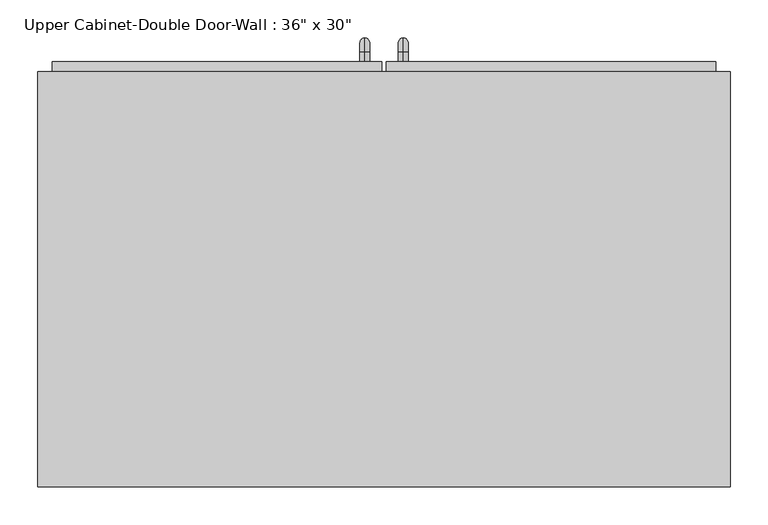
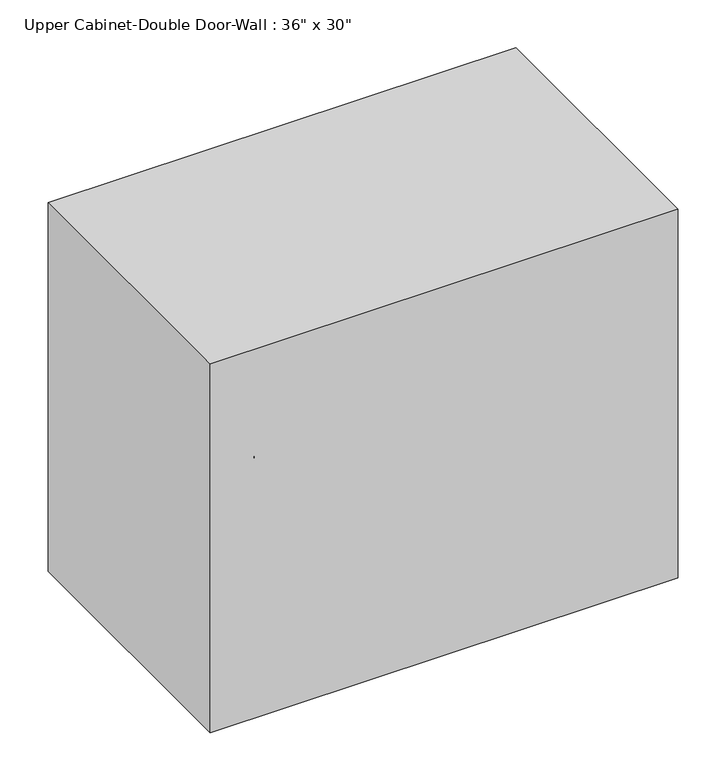
"""IFC4 building model written with IfcOpenShell, lengths in millimetres: furniture geometry."""

from ifc_helpers import new_model, si_unit, point, frame, origin, place, context, project, spatial, polyline, circle_curve, ellipse_curve, trimmed, outline, extrude, faceted_brep, source, transform, mapped, element, save
from ifc_brep_helpers import plane_surface, cylinder_surface, revolved_surface, advanced_brep


def furniture_3bb70dbc(model_context):
    return source(origin(), model_context, "Body", "SolidModel", [
        faceted_brep([(-427.4288372, 123.825, 2133.6), (-427.4288372, 123.825, 1371.6), (486.9711628, 123.825, 1371.6), (486.9711628, 123.825, 2133.6), (-427.4288372, 673.1, 2133.6), (486.9711628, 673.1, 2133.6), (486.9711628, 673.1, 1371.6), (-427.4288372, 673.1, 1371.6), (-408.3788372, 673.1, 2114.55), (-408.3788372, 673.1, 1390.65), (467.9211628, 673.1, 1390.65), (467.9211628, 673.1, 2114.55), (467.9211628, 142.875, 2114.55), (-408.3788372, 142.875, 2114.55), (467.9211628, 142.875, 1390.65), (-408.3788372, 142.875, 1390.65)], [[[0, 1, 2, 3]], [[4, 5, 6, 7], [8, 9, 10, 11]], [[1, 0, 4, 7]], [[2, 1, 7, 6]], [[3, 2, 6, 5]], [[0, 3, 5, 4]], [[8, 11, 12, 13]], [[11, 10, 14, 12]], [[10, 9, 15, 14]], [[9, 8, 13, 15]], [[13, 12, 14, 15]]]),
        advanced_brep(
        [(55.1711628, 685.8, 1517.65), (55.1711628, 685.8, 1530.35), (55.1711628, 698.5, 1517.65), (55.1711628, 698.5, 1530.35), (55.1711628, 717.55, 1511.3), (55.1711628, 704.85, 1511.3), (55.1711628, 704.85, 1435.1), (55.1711628, 717.55, 1435.1), (55.1711628, 698.5, 1416.05), (55.1711628, 698.5, 1428.75), (55.1711628, 685.8, 1428.75), (55.1711628, 685.8, 1416.05)],
        [
            (0, 1, circle_curve(frame((55.1711628, 685.8, 1524.0), z_axis=(0.0, -1.0, 0.0), x_axis=(0.0, 0.0, -1.0)), 6.35)),
            (1, 0, circle_curve(frame((55.1711628, 685.8, 1524.0), z_axis=(0.0, -1.0, 0.0), x_axis=(0.0, 0.0, -1.0)), 6.35)),
            (0, 2),
            (2, 3, circle_curve(frame((55.1711628, 698.5, 1524.0), z_axis=(0.0, -1.0, 0.0), x_axis=(0.0, 0.0, -1.0)), 6.35)),
            (3, 1),
            (3, 2, circle_curve(frame((55.1711628, 698.5, 1524.0), z_axis=(0.0, -1.0, 0.0), x_axis=(0.0, 0.0, -1.0)), 6.35)),
            (4, 3, circle_curve(frame((55.1711628, 698.5, 1511.3), z_axis=(1.0, 0.0, 0.0), x_axis=(0.0, 0.0, 1.0)), 19.05)),
            (2, 5, circle_curve(frame((55.1711628, 698.5, 1511.3), z_axis=(-1.0, 0.0, 0.0), x_axis=(0.0, 0.0, 1.0)), 6.35)),
            (5, 4, circle_curve(frame((55.1711628, 711.2, 1511.3), z_axis=(0.0, 0.0, 1.0), x_axis=(0.0, -1.0, 0.0)), 6.35)),
            (4, 5, circle_curve(frame((55.1711628, 711.2, 1511.3), z_axis=(0.0, 0.0, 1.0), x_axis=(0.0, -1.0, 0.0)), 6.35)),
            (5, 6),
            (6, 7, circle_curve(frame((55.1711628, 711.2, 1435.1), z_axis=(0.0, 0.0, 1.0), x_axis=(0.0, -1.0, 0.0)), 6.35)),
            (7, 4),
            (7, 6, circle_curve(frame((55.1711628, 711.2, 1435.1), z_axis=(0.0, 0.0, 1.0), x_axis=(0.0, -1.0, 0.0)), 6.35)),
            (8, 7, circle_curve(frame((55.1711628, 698.5, 1435.1), z_axis=(1.0, 0.0, 0.0), x_axis=(0.0, 1.0, 0.0)), 19.05)),
            (6, 9, circle_curve(frame((55.1711628, 698.5, 1435.1), z_axis=(-1.0, 0.0, 0.0), x_axis=(0.0, 1.0, 0.0)), 6.35)),
            (9, 8, circle_curve(frame((55.1711628, 698.5, 1422.4), z_axis=(0.0, 1.0, 0.0), x_axis=(0.0, 0.0, 1.0)), 6.35)),
            (8, 9, circle_curve(frame((55.1711628, 698.5, 1422.4), z_axis=(0.0, 1.0, 0.0), x_axis=(0.0, 0.0, 1.0)), 6.35)),
            (10, 11, circle_curve(frame((55.1711628, 685.8, 1422.4), z_axis=(0.0, -1.0, 0.0), x_axis=(0.0, 0.0, 1.0)), 6.35)),
            (11, 10, circle_curve(frame((55.1711628, 685.8, 1422.4), z_axis=(0.0, -1.0, 0.0), x_axis=(0.0, 0.0, 1.0)), 6.35)),
            (9, 10),
            (11, 8),
        ],
        [
            plane_surface(frame((48.8211628, 685.8, 1524.0), z_axis=(0.0, -1.0, 0.0), x_axis=(0.0, 0.0, 1.0))),
            cylinder_surface(frame((55.1711628, 685.8, 1524.0), z_axis=(0.0, -1.0, 0.0), x_axis=(0.0, 0.0, -1.0)), 6.35),
            revolved_surface(trimmed(ellipse_curve(frame((55.1711628, 698.5, 1524.0), z_axis=(0.0, -1.0, 0.0), x_axis=(0.0, 0.0, -1.0)), 6.35, 6.35), [point((55.1711628, 698.5, 1517.65))], [point((55.1711628, 698.5, 1530.35))], True, "CARTESIAN"), (55.1711628, 698.5, 1511.3), (-1.0, 0.0, 0.0)),
            revolved_surface(trimmed(ellipse_curve(frame((55.1711628, 698.5, 1524.0), z_axis=(0.0, -1.0, 0.0), x_axis=(0.0, 0.0, -1.0)), 6.35, 6.35), [point((55.1711628, 698.5, 1530.35))], [point((55.1711628, 698.5, 1517.65))], True, "CARTESIAN"), (55.1711628, 698.5, 1511.3), (-1.0, 0.0, 0.0)),
            cylinder_surface(frame((55.1711628, 711.2, 1511.3), z_axis=(0.0, 0.0, 1.0), x_axis=(0.0, -1.0, 0.0)), 6.35),
            revolved_surface(trimmed(ellipse_curve(frame((55.1711628, 711.2, 1435.1), z_axis=(0.0, 0.0, 1.0), x_axis=(0.0, -1.0, 0.0)), 6.35, 6.35), [point((55.1711628, 704.85, 1435.1))], [point((55.1711628, 717.55, 1435.1))], True, "CARTESIAN"), (55.1711628, 698.5, 1435.1), (-1.0, 0.0, 0.0)),
            revolved_surface(trimmed(ellipse_curve(frame((55.1711628, 711.2, 1435.1), z_axis=(0.0, 0.0, 1.0), x_axis=(0.0, -1.0, 0.0)), 6.35, 6.35), [point((55.1711628, 717.55, 1435.1))], [point((55.1711628, 704.85, 1435.1))], True, "CARTESIAN"), (55.1711628, 698.5, 1435.1), (-1.0, 0.0, 0.0)),
            plane_surface(frame((48.8211628, 685.8, 1422.4), z_axis=(0.0, -1.0, 0.0), x_axis=(0.0, 0.0, -1.0))),
            cylinder_surface(frame((55.1711628, 698.5, 1422.4), z_axis=(0.0, 1.0, 0.0), x_axis=(0.0, 0.0, 1.0)), 6.35),
        ],
        [
            (0, [[1, 2]]),
            (1, [[-1, 3, 4, 5]]),
            (1, [[-2, -5, 6, -3]]),
            (2, [[7, -4, 8, 9]]),
            (3, [[-8, -6, -7, 10]]),
            (4, [[-9, 11, 12, 13]]),
            (4, [[-10, -13, 14, -11]]),
            (5, [[15, -12, 16, 17]]),
            (6, [[-16, -14, -15, 18]]),
            (7, [[19, 20]]),
            (8, [[-17, 21, -20, 22]]),
            (8, [[-18, -22, -19, -21]]),
        ],
    ),
        advanced_brep(
        [(4.3711628, 685.8, 1517.65), (4.3711628, 685.8, 1530.35), (4.3711628, 698.5, 1517.65), (4.3711628, 698.5, 1530.35), (4.3711628, 717.55, 1511.3), (4.3711628, 704.85, 1511.3), (4.3711628, 704.85, 1435.1), (4.3711628, 717.55, 1435.1), (4.3711628, 698.5, 1416.05), (4.3711628, 698.5, 1428.75), (4.3711628, 685.8, 1428.75), (4.3711628, 685.8, 1416.05)],
        [
            (0, 1, circle_curve(frame((4.3711628, 685.8, 1524.0), z_axis=(0.0, -1.0, 0.0), x_axis=(0.0, 0.0, 1.0)), 6.35)),
            (1, 0, circle_curve(frame((4.3711628, 685.8, 1524.0), z_axis=(0.0, -1.0, 0.0), x_axis=(0.0, 0.0, 1.0)), 6.35)),
            (0, 2),
            (2, 3, circle_curve(frame((4.3711628, 698.5, 1524.0), z_axis=(0.0, -1.0, 0.0), x_axis=(0.0, 0.0, 1.0)), 6.35)),
            (3, 1),
            (3, 2, circle_curve(frame((4.3711628, 698.5, 1524.0), z_axis=(0.0, -1.0, 0.0), x_axis=(0.0, 0.0, 1.0)), 6.35)),
            (4, 3, circle_curve(frame((4.3711628, 698.5, 1511.3), z_axis=(1.0, 0.0, 0.0), x_axis=(0.0, 0.0, 1.0)), 19.05)),
            (2, 5, circle_curve(frame((4.3711628, 698.5, 1511.3), z_axis=(-1.0, 0.0, 0.0), x_axis=(0.0, 0.0, 1.0)), 6.35)),
            (5, 4, circle_curve(frame((4.3711628, 711.2, 1511.3), z_axis=(0.0, 0.0, 1.0), x_axis=(0.0, 1.0, 0.0)), 6.35)),
            (4, 5, circle_curve(frame((4.3711628, 711.2, 1511.3), z_axis=(0.0, 0.0, 1.0), x_axis=(0.0, 1.0, 0.0)), 6.35)),
            (5, 6),
            (6, 7, circle_curve(frame((4.3711628, 711.2, 1435.1), z_axis=(0.0, 0.0, 1.0), x_axis=(0.0, 1.0, 0.0)), 6.35)),
            (7, 4),
            (7, 6, circle_curve(frame((4.3711628, 711.2, 1435.1), z_axis=(0.0, 0.0, 1.0), x_axis=(0.0, 1.0, 0.0)), 6.35)),
            (8, 7, circle_curve(frame((4.3711628, 698.5, 1435.1), z_axis=(1.0, 0.0, 0.0), x_axis=(0.0, 1.0, 0.0)), 19.05)),
            (6, 9, circle_curve(frame((4.3711628, 698.5, 1435.1), z_axis=(-1.0, 0.0, 0.0), x_axis=(0.0, 1.0, 0.0)), 6.35)),
            (9, 8, circle_curve(frame((4.3711628, 698.5, 1422.4), z_axis=(0.0, 1.0, 0.0), x_axis=(0.0, 0.0, -1.0)), 6.35)),
            (8, 9, circle_curve(frame((4.3711628, 698.5, 1422.4), z_axis=(0.0, 1.0, 0.0), x_axis=(0.0, 0.0, -1.0)), 6.35)),
            (10, 11, circle_curve(frame((4.3711628, 685.8, 1422.4), z_axis=(0.0, -1.0, 0.0), x_axis=(0.0, 0.0, -1.0)), 6.35)),
            (11, 10, circle_curve(frame((4.3711628, 685.8, 1422.4), z_axis=(0.0, -1.0, 0.0), x_axis=(0.0, 0.0, -1.0)), 6.35)),
            (9, 10),
            (11, 8),
        ],
        [
            plane_surface(frame((-1.9788372, 685.8, 1524.0), z_axis=(0.0, -1.0, 0.0), x_axis=(0.0, 0.0, 1.0))),
            cylinder_surface(frame((4.3711628, 685.8, 1524.0), z_axis=(0.0, -1.0, 0.0), x_axis=(0.0, 0.0, 1.0)), 6.35),
            revolved_surface(trimmed(ellipse_curve(frame((4.3711628, 698.5, 1524.0), z_axis=(0.0, -1.0, 0.0), x_axis=(0.0, 0.0, 1.0)), 6.35, 6.35), [point((4.3711628, 698.5, 1517.65))], [point((4.3711628, 698.5, 1530.35))], True, "CARTESIAN"), (4.3711628, 698.5, 1511.3), (-1.0, 0.0, 0.0)),
            revolved_surface(trimmed(ellipse_curve(frame((4.3711628, 698.5, 1524.0), z_axis=(0.0, -1.0, 0.0), x_axis=(0.0, 0.0, 1.0)), 6.35, 6.35), [point((4.3711628, 698.5, 1530.35))], [point((4.3711628, 698.5, 1517.65))], True, "CARTESIAN"), (4.3711628, 698.5, 1511.3), (-1.0, 0.0, 0.0)),
            cylinder_surface(frame((4.3711628, 711.2, 1511.3), z_axis=(0.0, 0.0, 1.0), x_axis=(0.0, 1.0, 0.0)), 6.35),
            revolved_surface(trimmed(ellipse_curve(frame((4.3711628, 711.2, 1435.1), z_axis=(0.0, 0.0, 1.0), x_axis=(0.0, 1.0, 0.0)), 6.35, 6.35), [point((4.3711628, 704.85, 1435.1))], [point((4.3711628, 717.55, 1435.1))], True, "CARTESIAN"), (4.3711628, 698.5, 1435.1), (-1.0, 0.0, 0.0)),
            revolved_surface(trimmed(ellipse_curve(frame((4.3711628, 711.2, 1435.1), z_axis=(0.0, 0.0, 1.0), x_axis=(0.0, 1.0, 0.0)), 6.35, 6.35), [point((4.3711628, 717.55, 1435.1))], [point((4.3711628, 704.85, 1435.1))], True, "CARTESIAN"), (4.3711628, 698.5, 1435.1), (-1.0, 0.0, 0.0)),
            plane_surface(frame((-1.9788372, 685.8, 1422.4), z_axis=(0.0, -1.0, 0.0), x_axis=(0.0, 0.0, -1.0))),
            cylinder_surface(frame((4.3711628, 698.5, 1422.4), z_axis=(0.0, 1.0, 0.0), x_axis=(0.0, 0.0, -1.0)), 6.35),
        ],
        [
            (0, [[1, 2]]),
            (1, [[-1, 3, 4, 5]]),
            (1, [[-2, -5, 6, -3]]),
            (2, [[7, -4, 8, 9]]),
            (3, [[-8, -6, -7, 10]]),
            (4, [[-9, 11, 12, 13]]),
            (4, [[-10, -13, 14, -11]]),
            (5, [[15, -12, 16, 17]]),
            (6, [[-16, -14, -15, 18]]),
            (7, [[19, 20]]),
            (8, [[-17, 21, -20, 22]]),
            (8, [[-18, -22, -19, -21]]),
        ],
    ),
        extrude(outline(polyline([(32.9461628, 685.8), (467.9211628, 685.8), (467.9211628, 654.05), (32.9461628, 654.05), (32.9461628, 685.8)])), frame((0.0, 0.0, 1390.65), z_axis=(0.0, 0.0, 1.0), x_axis=(1.0, 0.0, 0.0)), (0.0, 0.0, 1.0), 723.9),
        extrude(outline(polyline([(-408.3788372, 685.8), (26.5961628, 685.8), (26.5961628, 654.05), (-408.3788372, 654.05), (-408.3788372, 685.8)])), frame((0.0, 0.0, 1390.65), z_axis=(0.0, 0.0, 1.0), x_axis=(1.0, 0.0, 0.0)), (0.0, 0.0, 1.0), 723.9),
    ])


if __name__ == "__main__":
    model = new_model("IFC4")
    model_context = context("Model", 3, world=origin())
    ifc_project = project(units=[si_unit("LENGTHUNIT", "METRE", prefix="MILLI")], contexts=[model_context])
    site = spatial("IfcSite", under=ifc_project)
    building = spatial("IfcBuilding", under=site)
    placement = place(None, origin())
    furniture_shape = furniture_3bb70dbc(model_context)
    element("IfcFurniture", 1, ObjectType="Upper Cabinet-Double Door-Wall : 36\" x 30\"", at=placement, inside=building, context=model_context, shape_type="MappedRepresentation", body=[
        mapped(furniture_shape, transform((0.0, 0.0, 0.0), x_axis=(1.0, 0.0, 0.0), y_axis=(0.0, 1.0, 0.0), z_axis=(0.0, 0.0, 1.0))),
    ])
    save(model, "model.ifc")
